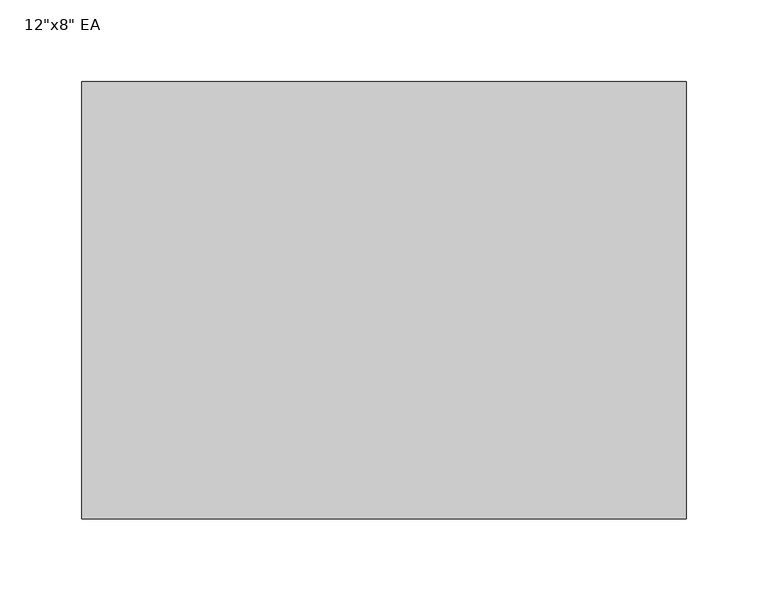
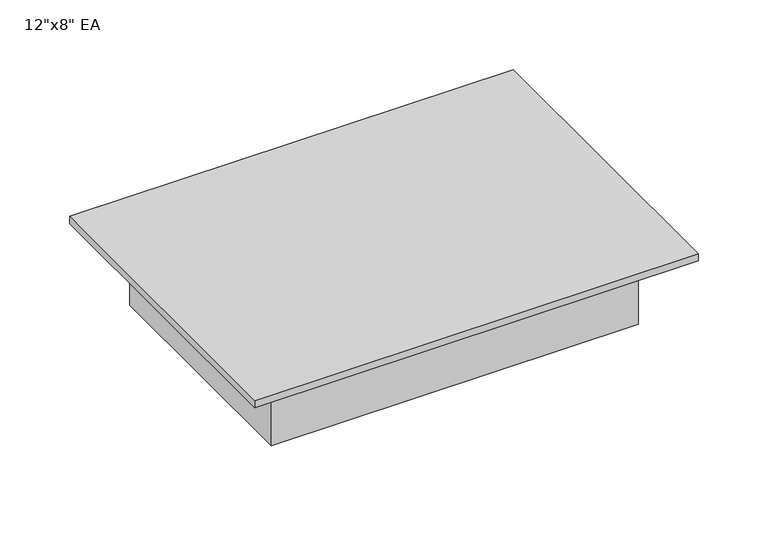
"""IFC4 building model written with IfcOpenShell, lengths in millimetres: air terminal geometry."""

from ifc_helpers import new_model, si_unit, frame, origin, origin_with_axes, place, context, project, spatial, polyline, outline, extrude, source, transform, mapped, element, save


def air_terminal_5fe81314(model_context):
    return source(origin(), model_context, "Body", "SweptSolid", [
        extrude(outline(polyline([(152.4, 101.6), (152.4, -101.6), (-152.4, -101.6), (-152.4, 101.6), (152.4, 101.6)])), frame((0.0, 0.0, -63.5), z_axis=(0.0, 0.0, 1.0), x_axis=(1.0, 0.0, 0.0)), (0.0, 0.0, 1.0), 63.5),
        extrude(outline(polyline([(184.15, 133.35), (184.15, -133.35), (-184.15, -133.35), (-184.15, 133.35), (184.15, 133.35)])), origin_with_axes(), (0.0, 0.0, 1.0), 6.35),
    ])


if __name__ == "__main__":
    model = new_model("IFC4")
    model_context = context("Model", 3, world=origin())
    ifc_project = project(units=[si_unit("LENGTHUNIT", "METRE", prefix="MILLI")], contexts=[model_context])
    site = spatial("IfcSite", under=ifc_project)
    building = spatial("IfcBuilding", under=site)
    placement = place(None, origin())
    air_terminal_shape = air_terminal_5fe81314(model_context)
    element("IfcAirTerminal", 1, ObjectType="12\"x8\" EA", at=placement, inside=building, context=model_context, shape_type="MappedRepresentation", body=[
        mapped(air_terminal_shape, transform((0.0, 0.0, 0.0), x_axis=(1.0, 0.0, 0.0), y_axis=(0.0, 1.0, 0.0), z_axis=(0.0, 0.0, 1.0))),
    ])
    save(model, "model.ifc")
